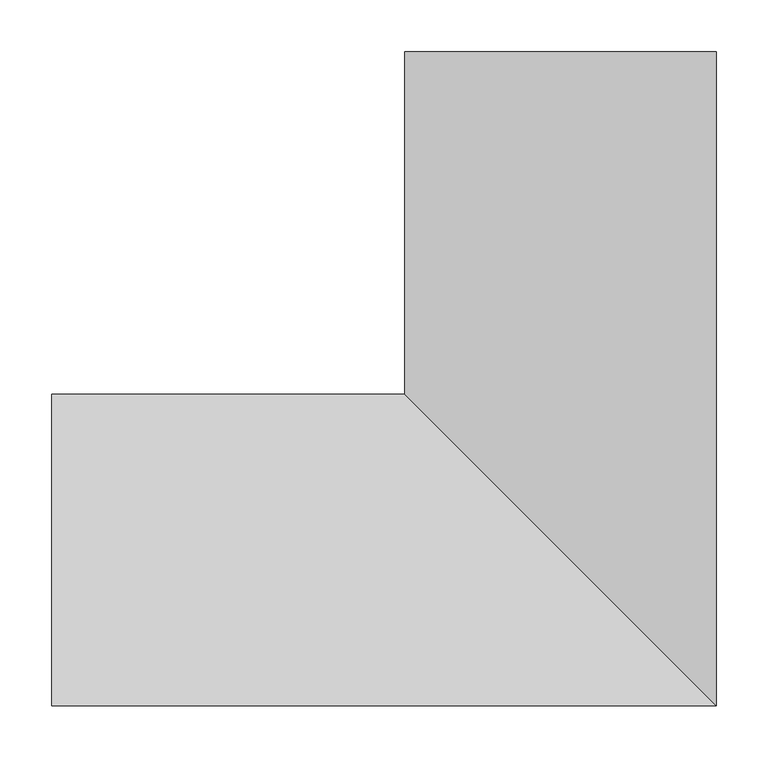
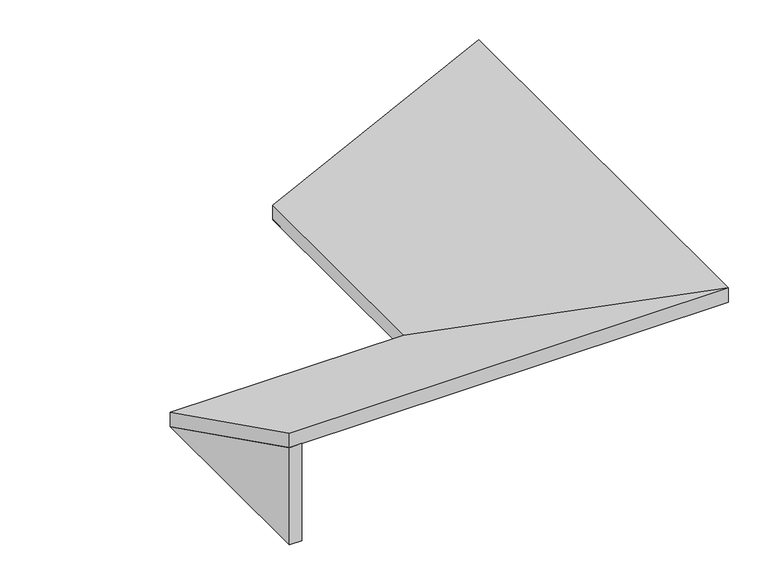
"""IFC4 building model written with IfcOpenShell, lengths in millimetres: furniture geometry."""

from ifc_helpers import new_model, si_unit, frame, origin, place, context, project, spatial, polyline, outline, extrude, faceted_brep, source, transform, mapped, element, save


def furniture_9f168014(model_context):
    return source(origin(), model_context, "Body", "SolidModel", [
        extrude(outline(polyline([(2200.0, 465.0), (2200.0, 765.0), (2350.0, 765.0), (2200.0, 465.0)])), frame((0.0, 612.4, 0.0), z_axis=(0.0, 1.0, 0.0), x_axis=(0.0, 0.0, 1.0)), (0.0, 0.0, 1.0), 18.0),
        extrude(outline(polyline([(300.4, 2200.0), (0.4, 2200.0), (0.4, 2350.0), (300.4, 2200.0)])), frame((125.0, 0.0, 0.0), z_axis=(1.0, 0.0, 0.0), x_axis=(0.0, 1.0, 0.0)), (0.0, 0.0, 1.0), 18.0),
        faceted_brep([(465.0, 630.4, 2222.3606798), (765.0, 630.4, 2372.3606798), (765.0, 630.4, 2350.0), (465.0, 630.4, 2200.0), (465.0, 300.4, 2222.3606798), (765.0, 0.4, 2372.3606798), (765.0, 0.4, 2350.0), (465.0, 300.4, 2200.0), (125.0, 300.4, 2222.3606798), (125.0, 0.4, 2372.3606798), (125.0, 0.4, 2350.0), (125.0, 300.4, 2200.0)], [[[0, 1, 2, 3]], [[1, 0, 4, 5]], [[2, 1, 5, 6]], [[3, 2, 6, 7]], [[5, 4, 8, 9]], [[6, 5, 9, 10]], [[7, 6, 10, 11]], [[8, 11, 10, 9]], [[0, 3, 7, 4]], [[4, 7, 11, 8]]]),
    ])


if __name__ == "__main__":
    model = new_model("IFC4")
    model_context = context("Model", 3, world=origin())
    ifc_project = project(units=[si_unit("LENGTHUNIT", "METRE", prefix="MILLI")], contexts=[model_context])
    site = spatial("IfcSite", under=ifc_project)
    building = spatial("IfcBuilding", under=site)
    placement = place(None, origin())
    furniture_shape = furniture_9f168014(model_context)
    element("IfcFurniture", 1, at=placement, inside=building, context=model_context, shape_type="MappedRepresentation", body=[
        mapped(furniture_shape, transform((0.0, 0.0, 0.0), x_axis=(1.0, 0.0, 0.0), y_axis=(0.0, 1.0, 0.0), z_axis=(0.0, 0.0, 1.0))),
    ])
    save(model, "model.ifc")
